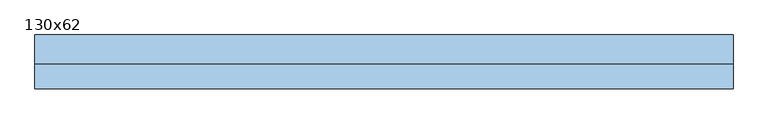
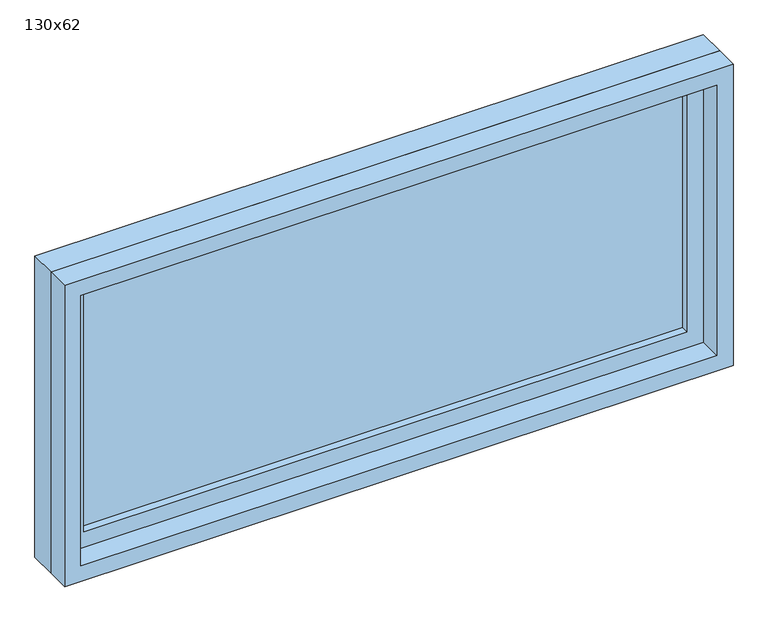
"""IFC4 building model written with IfcOpenShell, lengths in millimetres: window geometry, 130x62."""

import ifcopenshell
import ifcopenshell.guid

model = None  # the IFC model being written
_history = None  # IfcOwnerHistory: only IFC2X3 demands one
_inside = {}  # id of a spatial element -> (the spatial element, [elements in it])
_under = {}  # id of a project, library or spatial element -> (it, [spatial elements below it])
_declared = {}  # id of a project -> (the project, [libraries it declares])
_typed = {}  # id of a type object -> (the type object, [elements of that type])
_made_of = {}  # id of a material, layer set ... -> (it, [elements and type objects made of it])


def new_model(schema):
    """Start an empty IFC model of exactly this schema.

    Asked for "IFC4X3", IfcOpenShell would pick the latest addendum, in which some entities
    have other attributes; the version numbers below select the first issue.
    IFC2X3 requires an IfcOwnerHistory on every rooted entity: one is made here for all.
    """
    global model, _history
    if schema == "IFC4X3":
        model = ifcopenshell.file(schema_version=(4, 3, 0, 0))
    else:
        model = ifcopenshell.file(schema=schema)
    _inside.clear()
    _under.clear()
    _declared.clear()
    _typed.clear()
    _made_of.clear()
    _history = None
    if model.schema == "IFC2X3":
        org = make("IfcOrganization", Name="unknown")
        user = make(
            "IfcPersonAndOrganization",
            ThePerson=make("IfcPerson", FamilyName="unknown"),
            TheOrganization=org,
        )
        app = make(
            "IfcApplication",
            ApplicationDeveloper=org,
            Version="unknown",
            ApplicationFullName="unknown",
            ApplicationIdentifier="unknown",
        )
        _history = make(
            "IfcOwnerHistory",
            OwningUser=user,
            OwningApplication=app,
            ChangeAction="ADDED",
            CreationDate=0,
        )
    return model


def make(cls, **values):
    """One entity of the class cls with the attributes given. An attribute that is None is left unset."""
    return model.create_entity(
        cls, **{name: value for name, value in values.items() if value is not None}
    )


def rooted(cls, **values):
    """An entity with a GlobalId (a new one), such as an element, a storey or a relation."""
    return make(cls, GlobalId=ifcopenshell.guid.new(), OwnerHistory=_history, **values)


def si_unit(unit_type, name, prefix=None):
    """IfcSIUnit, for example si_unit("LENGTHUNIT", "METRE", prefix="MILLI")."""
    return make("IfcSIUnit", UnitType=unit_type, Prefix=prefix, Name=name)


def assignment(units):
    """IfcUnitAssignment: the units of a project."""
    return None if units is None else make("IfcUnitAssignment", Units=units)


def point(xyz):
    """IfcCartesianPoint."""
    return None if xyz is None else make("IfcCartesianPoint", Coordinates=xyz)


def direction(xyz):
    """IfcDirection."""
    return None if xyz is None else make("IfcDirection", DirectionRatios=xyz)


def frame(location, z_axis=None, x_axis=None):
    """IfcAxis2Placement3D, a coordinate frame: its origin and axes. An axis left out is left unset."""
    return make(
        "IfcAxis2Placement3D",
        Location=point(location),
        Axis=direction(z_axis),
        RefDirection=direction(x_axis),
    )


def origin():
    """The frame at (0, 0, 0) with its axes left unset."""
    return frame((0.0, 0.0, 0.0))


def place(relative_to, where):
    """IfcLocalPlacement: puts the frame where relative to a parent placement (None: the world)."""
    return make(
        "IfcLocalPlacement", PlacementRelTo=relative_to, RelativePlacement=where
    )


def context(
    kind, dimensions, precision=None, world=None, true_north=None, identifier=None
):
    """IfcGeometricRepresentationContext, for example the 3D "Model" context."""
    return make(
        "IfcGeometricRepresentationContext",
        ContextIdentifier=identifier,
        ContextType=kind,
        CoordinateSpaceDimension=dimensions,
        Precision=precision,
        WorldCoordinateSystem=world,
        TrueNorth=true_north,
    )


def project(units=None, contexts=None):
    """IfcProject with its units and contexts."""
    return rooted(
        "IfcProject",
        Name="project",
        RepresentationContexts=contexts,
        UnitsInContext=assignment(units),
    )


def spatial(cls, under=None, at=None, **own):
    """A site, building, storey or space (cls), placed at a placement, below another one or the project."""
    s = rooted(cls, ObjectPlacement=at, **own)
    if under is not None:
        _under.setdefault(under.id(), (under, []))[1].append(s)
    return s


def polyline(points):
    """IfcPolyline through the points."""
    return make("IfcPolyline", Points=[point(p) for p in points])


def outline(outer, holes=None, kind="AREA"):
    """IfcArbitraryClosedProfileDef: a profile drawn as a closed curve; with holes, ...WithVoids."""
    if holes is None:
        return make("IfcArbitraryClosedProfileDef", ProfileType=kind, OuterCurve=outer)
    return make(
        "IfcArbitraryProfileDefWithVoids",
        ProfileType=kind,
        OuterCurve=outer,
        InnerCurves=holes,
    )


def extrude(swept, where, along, depth):
    """IfcExtrudedAreaSolid: the profile swept, set in the frame where, extruded along a direction by depth."""
    return make(
        "IfcExtrudedAreaSolid",
        SweptArea=swept,
        Position=where,
        ExtrudedDirection=direction(along),
        Depth=depth,
    )


def shape(context_of_items, identifier, shape_type, items):
    """IfcShapeRepresentation: the items that make up one representation, for example the "Body"."""
    return make(
        "IfcShapeRepresentation",
        ContextOfItems=context_of_items,
        RepresentationIdentifier=identifier,
        RepresentationType=shape_type,
        Items=items,
    )


def source(mapping_origin, context_of_items, identifier, shape_type, items):
    """IfcRepresentationMap: a shape defined once, which mapped items show again and again."""
    return make(
        "IfcRepresentationMap",
        MappingOrigin=mapping_origin,
        MappedRepresentation=shape(context_of_items, identifier, shape_type, items),
    )


def transform(
    local_origin,
    x_axis=None,
    y_axis=None,
    z_axis=None,
    scale=None,
    scale2=None,
    scale3=None,
    uniform=True,
):
    """IfcCartesianTransformationOperator3D, or its non-uniform kind. x_axis, y_axis, z_axis: its Axis1, 2, 3."""
    if uniform:
        return make(
            "IfcCartesianTransformationOperator3D",
            Axis1=direction(x_axis),
            Axis2=direction(y_axis),
            LocalOrigin=point(local_origin),
            Scale=scale,
            Axis3=direction(z_axis),
        )
    return make(
        "IfcCartesianTransformationOperator3DnonUniform",
        Axis1=direction(x_axis),
        Axis2=direction(y_axis),
        LocalOrigin=point(local_origin),
        Scale=scale,
        Axis3=direction(z_axis),
        Scale2=scale2,
        Scale3=scale3,
    )


def mapped(mapping_source, mapping_target):
    """IfcMappedItem: shows the shape of a source again, moved by a transform."""
    return make(
        "IfcMappedItem", MappingSource=mapping_source, MappingTarget=mapping_target
    )


def made_of(thing, what):
    """Note that an element or type object is made of a material, layer set ...; save() writes the relation."""
    if what is not None:
        _made_of.setdefault(what.id(), (what, []))[1].append(thing)
    return thing


def element(
    cls,
    number,
    at=None,
    inside=None,
    cuts=None,
    type_object=None,
    material=None,
    context=None,
    identifier="Body",
    shape_type=None,
    held_by="IfcProductDefinitionShape",
    body=None,
    shapes=None,
    **own,
):
    """One element of the class cls, such as IfcWall. Its Tag is "e" and its number.

    at: its placement. inside: the storey or other place that contains it. cuts: it is an
    opening in that element (IfcRelVoidsElement). A single representation is given by context,
    identifier, shape_type and body (its items); several are given by shapes. held_by: the class
    of the entity that holds the representations. save() writes the other relations.
    """
    e = rooted(cls, Tag="e%d" % number, ObjectPlacement=at, **own)
    if body is not None:
        shapes = [shape(context, identifier, shape_type, body)]
    if shapes is not None:
        e.Representation = make(held_by, Representations=shapes)
    if inside is not None:
        _inside.setdefault(inside.id(), (inside, []))[1].append(e)
    if cuts is not None:
        rooted(
            "IfcRelVoidsElement", RelatingBuildingElement=cuts, RelatedOpeningElement=e
        )
    if type_object is not None:
        _typed.setdefault(type_object.id(), (type_object, []))[1].append(e)
    return made_of(e, material)


def aggregate(whole, parts):
    """IfcRelAggregates: a whole, such as a stair, and the parts it consists of."""
    return rooted("IfcRelAggregates", RelatingObject=whole, RelatedObjects=parts)


def save(model, path):
    """Write the relations noted so far, then the file.

    IfcRelAggregates (storeys below a building ...), IfcRelContainedInSpatialStructure (elements
    in a storey), IfcRelDefinesByType, IfcRelAssociatesMaterial and IfcRelDeclares: one each for
    every whole, place, type object, material and project.
    """
    for whole, parts in _under.values():
        aggregate(whole, parts)
    for where, things in _inside.values():
        rooted(
            "IfcRelContainedInSpatialStructure",
            RelatedElements=things,
            RelatingStructure=where,
        )
    for kind, things in _typed.values():
        rooted("IfcRelDefinesByType", RelatedObjects=things, RelatingType=kind)
    for what, things in _made_of.values():
        rooted("IfcRelAssociatesMaterial", RelatedObjects=things, RelatingMaterial=what)
    for by, libraries in _declared.values():
        rooted("IfcRelDeclares", RelatingContext=by, RelatedDefinitions=libraries)
    model.write(path)


def window_130x62_4af1255d(model_context):
    return source(origin(), model_context, "Body", "SweptSolid", [
        extrude(outline(polyline([(548.4, 11.425), (-624.6, 11.425), (-624.6, 24.125), (548.4, 24.125), (548.4, 11.425)])), frame((0.0, 0.0, 977.9), z_axis=(0.0, 0.0, 1.0), x_axis=(1.0, 0.0, 0.0)), (0.0, 0.0, 1.0), 493.0),
        extrude(outline(polyline([(1515.35, -669.05), (933.45, -669.05), (933.45, 592.85), (1515.35, 592.85), (1515.35, -669.05)]), holes=[polyline([(1470.9, -624.6), (1470.9, 548.4), (977.9, 548.4), (977.9, -624.6), (1470.9, -624.6)])]), frame((0.0, -4.45, 0.0), z_axis=(0.0, 1.0, 0.0), x_axis=(0.0, 0.0, 1.0)), (0.0, 0.0, 1.0), 44.45),
        extrude(outline(polyline([(1534.4, -688.1), (914.4, -688.1), (914.4, 611.9), (1534.4, 611.9), (1534.4, -688.1)]), holes=[polyline([(1502.65, -656.35), (1502.65, 580.15), (946.15, 580.15), (946.15, -656.35), (1502.65, -656.35)])]), frame((0.0, -50.0, 0.0), z_axis=(0.0, 1.0, 0.0), x_axis=(0.0, 0.0, 1.0)), (0.0, 0.0, 1.0), 45.55),
        extrude(outline(polyline([(1534.4, 611.9), (1534.4, -688.1), (914.4, -688.1), (914.4, 611.9), (1534.4, 611.9)]), holes=[polyline([(1515.35, 592.85), (933.45, 592.85), (933.45, -669.05), (1515.35, -669.05), (1515.35, 592.85)])]), frame((0.0, -4.45, 0.0), z_axis=(0.0, 1.0, 0.0), x_axis=(0.0, 0.0, 1.0)), (0.0, 0.0, 1.0), 54.45),
    ])


if __name__ == "__main__":
    model = new_model("IFC4")
    model_context = context("Model", 3, world=origin())
    ifc_project = project(units=[si_unit("LENGTHUNIT", "METRE", prefix="MILLI")], contexts=[model_context])
    site = spatial("IfcSite", under=ifc_project)
    building = spatial("IfcBuilding", under=site)
    placement = place(None, origin())
    window_130x62_shape = window_130x62_4af1255d(model_context)
    element("IfcWindow", 1, ObjectType="130x62", at=placement, inside=building, context=model_context, shape_type="MappedRepresentation", body=[
        mapped(window_130x62_shape, transform((0.0, 0.0, 0.0), x_axis=(1.0, 0.0, 0.0), y_axis=(0.0, 1.0, 0.0), z_axis=(0.0, 0.0, 1.0))),
    ])
    save(model, "model.ifc")
